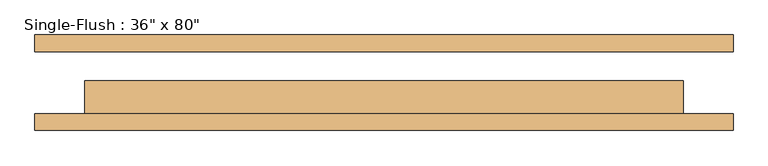
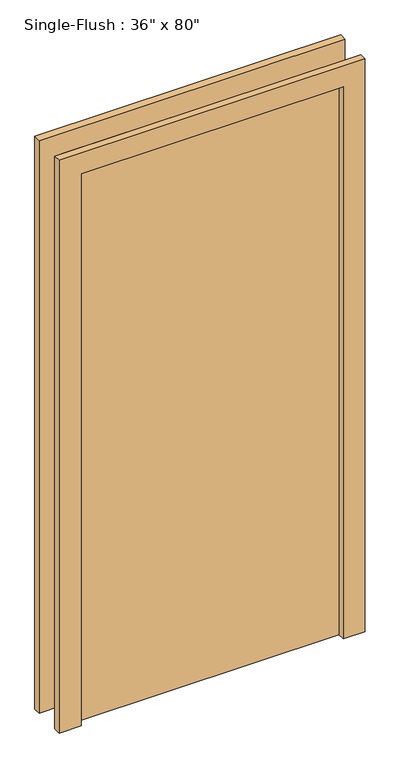
"""IFC4 building model written with IfcOpenShell, lengths in millimetres: door geometry."""

from ifc_helpers import new_model, si_unit, frame, origin, origin_with_axes, place, context, project, spatial, polyline, outline, extrude, source, transform, mapped, element, save


def door_5198f611(model_context):
    return source(origin(), model_context, "Body", "SweptSolid", [
        extrude(outline(polyline([(2108.2, -533.4), (0.0, -533.4), (0.0, -457.2), (2032.0, -457.2), (2032.0, 457.2), (0.0, 457.2), (0.0, 533.4), (2108.2, 533.4), (2108.2, -533.4)])), frame((0.0, -73.025, 0.0), z_axis=(0.0, 1.0, 0.0), x_axis=(0.0, 0.0, 1.0)), (0.0, 0.0, 1.0), 25.4),
        extrude(outline(polyline([(2108.2, 533.4), (2108.2, -533.4), (0.0, -533.4), (0.0, -457.2), (2032.0, -457.2), (2032.0, 457.2), (0.0, 457.2), (0.0, 533.4), (2108.2, 533.4)])), frame((0.0, 47.625, 0.0), z_axis=(0.0, 1.0, 0.0), x_axis=(0.0, 0.0, 1.0)), (0.0, 0.0, 1.0), 25.4),
        extrude(outline(polyline([(457.2, 3.175), (457.2, -47.625), (-457.2, -47.625), (-457.2, 3.175), (457.2, 3.175)])), origin_with_axes(), (0.0, 0.0, 1.0), 2032.0),
    ])


if __name__ == "__main__":
    model = new_model("IFC4")
    model_context = context("Model", 3, world=origin())
    ifc_project = project(units=[si_unit("LENGTHUNIT", "METRE", prefix="MILLI")], contexts=[model_context])
    site = spatial("IfcSite", under=ifc_project)
    building = spatial("IfcBuilding", under=site)
    placement = place(None, origin())
    door_shape = door_5198f611(model_context)
    element("IfcDoor", 1, ObjectType="Single-Flush : 36\" x 80\"", at=placement, inside=building, context=model_context, shape_type="MappedRepresentation", body=[
        mapped(door_shape, transform((0.0, 0.0, 0.0), x_axis=(1.0, 0.0, 0.0), y_axis=(0.0, 1.0, 0.0), z_axis=(0.0, 0.0, 1.0))),
    ])
    save(model, "model.ifc")
